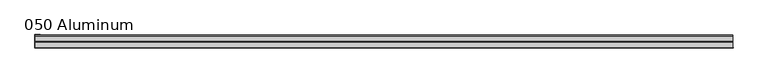
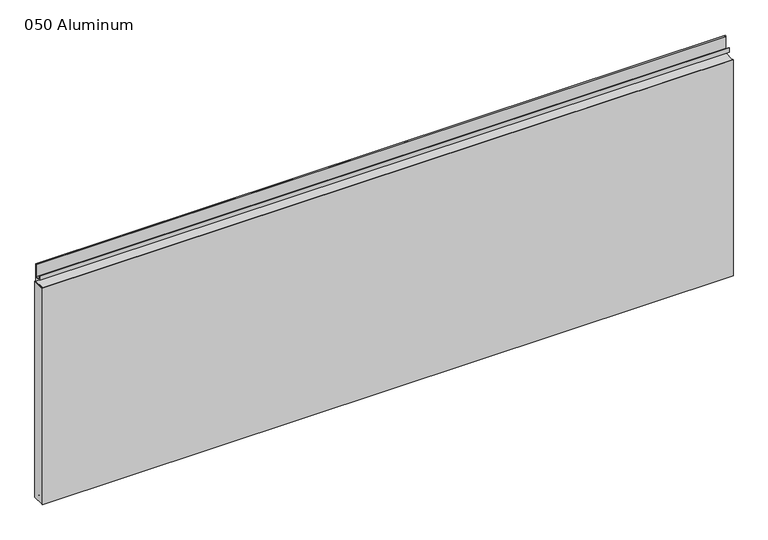
"""IFC4 building model written with IfcOpenShell, lengths in millimetres: plate geometry, 050 Aluminum."""

from ifc_helpers import new_model, si_unit, point, frame, frame_2d, origin, origin_with_axes, place, context, project, spatial, polyline, circle_curve, trimmed, segment, composite_curve, outline, extrude, source, transform, mapped, element, save


def plate_050_aluminum_9b6a8b13(model_context):
    return source(origin(), model_context, "Body", "SweptSolid", [
        extrude(outline(polyline([(-919.4799998, -2.5660257), (-919.4799998, -34.7980001), (-920.7499998, -34.7980001), (-920.7499998, -1.2699999), (-906.5894993, -1.2699999), (-906.5894993, -2.5660257), (-919.4799998, -2.5660257)])), origin_with_axes(), (0.0, 0.0, 1.0), 608.33),
        extrude(outline(composite_curve([segment(polyline([(-16.6765477, 13.1458337), (-16.6765477, 2.786437), (-17.9464915, 2.786437), (-17.9464915, 13.1323356)]), True, "CONTINUOUS"), segment(trimmed(circle_curve(frame_2d((-19.8514743, 13.124237)), 1.905), [point((-17.9464915, 13.1323356))], [point((-21.7564743, 13.124237))], True, "CARTESIAN"), True, "CONTINUOUS"), segment(polyline([(-21.7564743, 13.124237), (-21.7564743, 0.0), (-34.7980002, 0.0), (-34.7980002, 1.2693678), (-23.0264743, 1.2693678), (-23.0264743, 13.124237)]), True, "CONTINUOUS"), segment(trimmed(circle_curve(frame_2d((-19.8514743, 13.124237)), 3.175), [point((-23.0264743, 13.124237))], [point((-16.6765477, 13.1458337))], False, "CARTESIAN"), True, "CONTINUOUS")], self_intersect=False)), frame((-919.4799998, 0.0, 0.0), z_axis=(1.0, 0.0, 0.0), x_axis=(0.0, 1.0, 0.0)), (0.0, 0.0, 1.0), 1838.9599997),
        extrude(outline(composite_curve([segment(polyline([(-2.0574743, 656.7932001), (-2.0574743, 608.33), (-34.7980002, 608.33), (-34.7980002, 609.6000001), (-3.3274743, 609.6000001), (-3.3274743, 656.7932001)]), True, "CONTINUOUS"), segment(trimmed(circle_curve(frame_2d((-3.7084742, 656.7932001)), 0.3809999), [point((-3.3274743, 656.7932001))], [point((-4.0894742, 656.7932001))], True, "CARTESIAN"), True, "CONTINUOUS"), segment(polyline([(-4.0894742, 656.7932001), (-4.0894742, 622.3), (-20.4864742, 622.3), (-20.4864742, 633.6538), (-19.2164743, 633.6538), (-19.2164743, 623.57), (-5.3594742, 623.57), (-5.3594742, 656.7932001)]), True, "CONTINUOUS"), segment(trimmed(circle_curve(frame_2d((-3.7084742, 656.7932001)), 1.6509999), [point((-5.3594742, 656.7932001))], [point((-2.0574743, 656.7932001))], False, "CARTESIAN"), True, "CONTINUOUS")], self_intersect=False)), frame((-919.4799998, 0.0, 0.0), z_axis=(1.0, 0.0, 0.0), x_axis=(0.0, 1.0, 0.0)), (0.0, 0.0, 1.0), 1838.9599997),
        extrude(outline(polyline([(-920.7499998, -36.068), (-920.7499998, -34.7980001), (920.7499998, -34.7980001), (920.7499998, -36.068), (-920.7499998, -36.068)])), origin_with_axes(), (0.0, 0.0, 1.0), 609.6),
    ])


if __name__ == "__main__":
    model = new_model("IFC4")
    model_context = context("Model", 3, world=origin())
    ifc_project = project(units=[si_unit("LENGTHUNIT", "METRE", prefix="MILLI")], contexts=[model_context])
    site = spatial("IfcSite", under=ifc_project)
    building = spatial("IfcBuilding", under=site)
    placement = place(None, origin())
    plate_050_aluminum_shape = plate_050_aluminum_9b6a8b13(model_context)
    element("IfcPlate", 1, ObjectType="050 Aluminum", at=placement, inside=building, context=model_context, shape_type="MappedRepresentation", body=[
        mapped(plate_050_aluminum_shape, transform((0.0, 0.0, 0.0), x_axis=(1.0, 0.0, 0.0), y_axis=(0.0, 1.0, 0.0), z_axis=(0.0, 0.0, 1.0))),
    ])
    save(model, "model.ifc")
